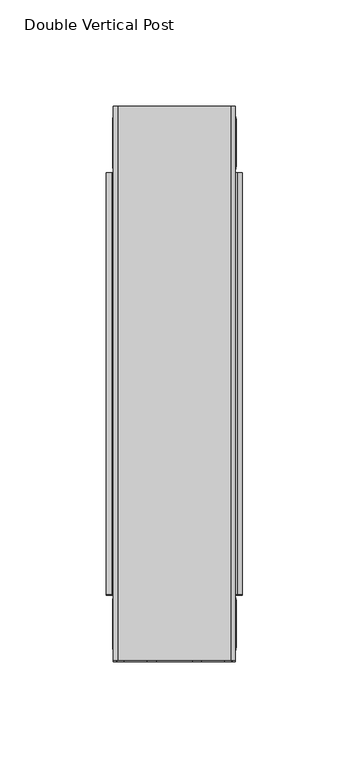
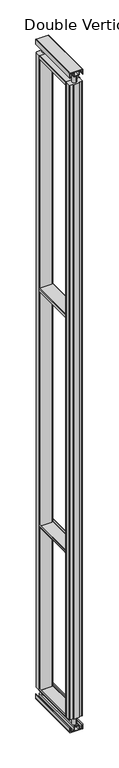
"""IFC4 building model written with IfcOpenShell, lengths in millimetres: proxy geometry, Double Vertical Post."""

from ifc_helpers import new_model, si_unit, point, frame, frame_2d, origin, place, context, project, spatial, polyline, circle_curve, trimmed, segment, composite_curve, outline, extrude, source, transform, mapped, element, save


def double_vertical_post_8f0ddc2f(model_context):
    return source(origin(), model_context, "Body", "SweptSolid", [
        extrude(outline(composite_curve([segment(trimmed(circle_curve(frame_2d((105.9844667, -9.4130426)), 9.647555), [point((105.9844667, -19.0605976))], [point((105.9844667, 0.2345124))], False, "CARTESIAN"), True, "CONTINUOUS"), segment(trimmed(circle_curve(frame_2d((105.9844667, -9.4130426)), 9.647555), [point((105.9844667, 0.2345124))], [point((105.9844667, -19.0605976))], False, "CARTESIAN"), True, "CONTINUOUS")], self_intersect=False)), frame((0.0, 0.0, 22.59584), z_axis=(0.0, 0.0, 1.0), x_axis=(1.0, 0.0, 0.0)), (0.0, 0.0, 1.0), 3015.50832),
        extrude(outline(composite_curve([segment(trimmed(circle_curve(frame_2d((105.9844667, -237.2304325)), 9.647555), [point((105.9844667, -246.8779875))], [point((105.9844667, -227.5828775))], False, "CARTESIAN"), True, "CONTINUOUS"), segment(trimmed(circle_curve(frame_2d((105.9844667, -237.2304325)), 9.647555), [point((105.9844667, -227.5828775))], [point((105.9844667, -246.8779875))], False, "CARTESIAN"), True, "CONTINUOUS")], self_intersect=False)), frame((0.0, 0.0, 22.59584), z_axis=(0.0, 0.0, 1.0), x_axis=(1.0, 0.0, 0.0)), (0.0, 0.0, 1.0), 3015.50832),
        extrude(outline(composite_curve([segment(polyline([(1.2192, 78.5905667), (22.1742, 78.5905667), (22.1742, 77.3713667), (2.2593983, 77.3713667)]), True, "CONTINUOUS"), segment(trimmed(circle_curve(frame_2d((2.2593983, 79.630765)), 2.2593983), [point((2.2593983, 77.3713667))], [point((0.0, 79.630765))], False, "CARTESIAN"), True, "CONTINUOUS"), segment(polyline([(0.0, 79.630765), (0.0, 132.4154333)]), True, "CONTINUOUS"), segment(trimmed(circle_curve(frame_2d((2.1821334, 132.4154333)), 2.1821334), [point((0.0, 132.4154333))], [point((2.1821334, 134.5975667))], False, "CARTESIAN"), True, "CONTINUOUS"), segment(polyline([(2.1821334, 134.5975667), (22.1742, 134.5975667), (22.1742, 133.3783667), (1.2192, 133.3783667), (1.2192, 78.5905667)]), True, "CONTINUOUS")], self_intersect=False)), frame((0.0, -253.4967375, 0.0), z_axis=(0.0, 1.0, 0.0), x_axis=(0.0, 0.0, 1.0)), (0.0, 0.0, 1.0), 260.35),
        extrude(outline(composite_curve([segment(polyline([(6.21284, 82.2208617), (15.875, 82.2208617), (15.875, 79.1830217), (3.175, 79.1830217), (3.175, 96.3280217), (19.558, 96.3280217), (19.558, 115.6320217), (3.175, 115.6320217), (3.175, 132.7770217), (15.875, 132.7770217), (15.875, 129.7391817), (6.21284, 129.7391817), (6.21284, 118.6698617), (18.2719045, 118.6698617)]), True, "CONTINUOUS"), segment(trimmed(circle_curve(frame_2d((18.2719045, 114.3459261)), 4.3239355), [point((18.2719045, 118.6698617))], [point((22.59584, 114.3459261))], False, "CARTESIAN"), True, "CONTINUOUS"), segment(polyline([(22.59584, 114.3459261), (22.59584, 97.5442401)]), True, "CONTINUOUS"), segment(trimmed(circle_curve(frame_2d((18.3417816, 97.5442401)), 4.2540584), [point((22.59584, 97.5442401))], [point((18.3417816, 93.2901817))], False, "CARTESIAN"), True, "CONTINUOUS"), segment(polyline([(18.3417816, 93.2901817), (6.21284, 93.2901817), (6.21284, 82.2208617)]), True, "CONTINUOUS")], self_intersect=False)), frame((0.0, -253.4967375, 0.0), z_axis=(0.0, 1.0, 0.0), x_axis=(0.0, 0.0, 1.0)), (0.0, 0.0, 1.0), 260.35),
        extrude(outline(composite_curve([segment(polyline([(3054.48716, 82.2208617), (3054.48716, 93.2901817), (3042.8687642, 93.2901817)]), True, "CONTINUOUS"), segment(trimmed(circle_curve(frame_2d((3042.8687642, 98.0547859)), 4.7646042), [point((3042.8687642, 93.2901817))], [point((3038.10416, 98.0547859))], False, "CARTESIAN"), True, "CONTINUOUS"), segment(polyline([(3038.10416, 98.0547859), (3038.10416, 114.0450554)]), True, "CONTINUOUS"), segment(trimmed(circle_curve(frame_2d((3042.7289663, 114.0450554)), 4.6248063), [point((3038.10416, 114.0450554))], [point((3042.7289663, 118.6698617))], False, "CARTESIAN"), True, "CONTINUOUS"), segment(polyline([(3042.7289663, 118.6698617), (3054.48716, 118.6698617), (3054.48716, 129.7391817), (3044.825, 129.7391817), (3044.825, 132.7770217), (3057.525, 132.7770217), (3057.525, 115.6320217), (3041.142, 115.6320217), (3041.142, 96.3280217), (3057.525, 96.3280217), (3057.525, 79.1830217), (3044.825, 79.1830217), (3044.825, 82.2208617), (3054.48716, 82.2208617)]), True, "CONTINUOUS")], self_intersect=False)), frame((0.0, -253.4967375, 0.0), z_axis=(0.0, 1.0, 0.0), x_axis=(0.0, 0.0, 1.0)), (0.0, 0.0, 1.0), 260.35),
        extrude(outline(composite_curve([segment(polyline([(3038.5258, 133.3783667), (3038.5258, 134.5975667), (3058.4879927, 134.5975667)]), True, "CONTINUOUS"), segment(trimmed(circle_curve(frame_2d((3058.4879927, 132.3855594)), 2.2120073), [point((3058.4879927, 134.5975667))], [point((3060.7, 132.3855594))], False, "CARTESIAN"), True, "CONTINUOUS"), segment(polyline([(3060.7, 132.3855594), (3060.7, 79.4363457)]), True, "CONTINUOUS"), segment(trimmed(circle_curve(frame_2d((3058.635021, 79.4363457)), 2.064979), [point((3060.7, 79.4363457))], [point((3058.635021, 77.3713667))], False, "CARTESIAN"), True, "CONTINUOUS"), segment(polyline([(3058.635021, 77.3713667), (3038.5258, 77.3713667), (3038.5258, 78.5905667), (3059.4808, 78.5905667), (3059.4808, 133.3783667), (3038.5258, 133.3783667)]), True, "CONTINUOUS")], self_intersect=False)), frame((0.0, -253.4967375, 0.0), z_axis=(0.0, 1.0, 0.0), x_axis=(0.0, 0.0, 1.0)), (0.0, 0.0, 1.0), 260.35),
        extrude(outline(composite_curve([segment(polyline([(2991.7877494, 137.9122667), (3002.1648238, 137.9122667)]), True, "CONTINUOUS"), segment(trimmed(circle_curve(frame_2d((3002.1648238, 135.5893411)), 2.3229256), [point((3002.1648238, 137.9122667))], [point((3004.4877494, 135.5893411))], False, "CARTESIAN"), True, "CONTINUOUS"), segment(polyline([(3004.4877494, 135.5893411), (3004.4877494, 76.515637)]), True, "CONTINUOUS"), segment(trimmed(circle_curve(frame_2d((3002.0287791, 76.515637)), 2.4589703), [point((3004.4877494, 76.515637))], [point((3002.0287791, 74.0566667))], False, "CARTESIAN"), True, "CONTINUOUS"), segment(polyline([(3002.0287791, 74.0566667), (2991.7877494, 74.0566667), (2991.7877494, 75.6441667), (3002.0624022, 75.6441667)]), True, "CONTINUOUS"), segment(trimmed(circle_curve(frame_2d((3002.0624022, 76.4820139)), 0.8378472), [point((3002.0624022, 75.6441667))], [point((3002.9002494, 76.4820139))], True, "CARTESIAN"), True, "CONTINUOUS"), segment(polyline([(3002.9002494, 76.4820139), (3002.9002494, 135.3009499)]), True, "CONTINUOUS"), segment(trimmed(circle_curve(frame_2d((3001.8764326, 135.3009499)), 1.0238168), [point((3002.9002494, 135.3009499))], [point((3001.8764326, 136.3247667))], True, "CARTESIAN"), True, "CONTINUOUS"), segment(polyline([(3001.8764326, 136.3247667), (2991.7877494, 136.3247667), (2991.7877494, 137.9122667)]), True, "CONTINUOUS")], self_intersect=False)), frame((0.0, -222.3217375, 0.0), z_axis=(0.0, 1.0, 0.0), x_axis=(0.0, 0.0, 1.0)), (0.0, 0.0, 1.0), 198.0),
        extrude(outline(composite_curve([segment(polyline([(1912.2877494, 137.9122667), (1922.5181301, 137.9122667)]), True, "CONTINUOUS"), segment(trimmed(circle_curve(frame_2d((1922.5181301, 135.4426474)), 2.4696193), [point((1922.5181301, 137.9122667))], [point((1924.9877494, 135.4426474))], False, "CARTESIAN"), True, "CONTINUOUS"), segment(polyline([(1924.9877494, 135.4426474), (1924.9877494, 76.8011731)]), True, "CONTINUOUS"), segment(trimmed(circle_curve(frame_2d((1922.243243, 76.8011731)), 2.7445064), [point((1924.9877494, 76.8011731))], [point((1922.243243, 74.0566667))], False, "CARTESIAN"), True, "CONTINUOUS"), segment(polyline([(1922.243243, 74.0566667), (1912.2877494, 74.0566667), (1912.2877494, 75.6441667), (1922.589607, 75.6441667)]), True, "CONTINUOUS"), segment(trimmed(circle_curve(frame_2d((1922.589607, 76.4548091)), 0.8106424), [point((1922.589607, 75.6441667))], [point((1923.4002494, 76.4548091))], True, "CARTESIAN"), True, "CONTINUOUS"), segment(polyline([(1923.4002494, 76.4548091), (1923.4002494, 135.3843411)]), True, "CONTINUOUS"), segment(trimmed(circle_curve(frame_2d((1922.4598238, 135.3843411)), 0.9404256), [point((1923.4002494, 135.3843411))], [point((1922.4598238, 136.3247667))], True, "CARTESIAN"), True, "CONTINUOUS"), segment(polyline([(1922.4598238, 136.3247667), (1912.2877494, 136.3247667), (1912.2877494, 137.9122667)]), True, "CONTINUOUS")], self_intersect=False)), frame((0.0, -222.3217375, 0.0), z_axis=(0.0, 1.0, 0.0), x_axis=(0.0, 0.0, 1.0)), (0.0, 0.0, 1.0), 198.0),
        extrude(outline(composite_curve([segment(polyline([(830.8848, 74.0566667), (820.8647798, 74.0566667)]), True, "CONTINUOUS"), segment(trimmed(circle_curve(frame_2d((820.8647798, 76.7366464)), 2.6799798), [point((820.8647798, 74.0566667))], [point((818.1848, 76.7366464))], False, "CARTESIAN"), True, "CONTINUOUS"), segment(polyline([(818.1848, 76.7366464), (818.1848, 135.2845647)]), True, "CONTINUOUS"), segment(trimmed(circle_curve(frame_2d((820.812502, 135.2845647)), 2.627702), [point((818.1848, 135.2845647))], [point((820.812502, 137.9122667))], False, "CARTESIAN"), True, "CONTINUOUS"), segment(polyline([(820.812502, 137.9122667), (830.8848, 137.9122667), (830.8848, 136.3247667), (820.7311586, 136.3247667)]), True, "CONTINUOUS"), segment(trimmed(circle_curve(frame_2d((820.7311586, 135.3659081)), 0.9588586), [point((820.7311586, 136.3247667))], [point((819.7723, 135.3659081))], True, "CARTESIAN"), True, "CONTINUOUS"), segment(polyline([(819.7723, 135.3659081), (819.7723, 76.7047433)]), True, "CONTINUOUS"), segment(trimmed(circle_curve(frame_2d((820.8328766, 76.7047433)), 1.0605766), [point((819.7723, 76.7047433))], [point((820.8328766, 75.6441667))], True, "CARTESIAN"), True, "CONTINUOUS"), segment(polyline([(820.8328766, 75.6441667), (830.8848, 75.6441667), (830.8848, 74.0566667)]), True, "CONTINUOUS")], self_intersect=False)), frame((0.0, -222.3217375, 0.0), z_axis=(0.0, 1.0, 0.0), x_axis=(0.0, 0.0, 1.0)), (0.0, 0.0, 1.0), 198.0),
        extrude(outline(composite_curve([segment(polyline([(58.8357878, 137.9122667), (68.8848, 137.9122667), (68.8848, 136.3247667), (58.6926169, 136.3247667)]), True, "CONTINUOUS"), segment(trimmed(circle_curve(frame_2d((58.6926169, 135.4044497)), 0.9203169), [point((58.6926169, 136.3247667))], [point((57.7723, 135.4044497))], True, "CARTESIAN"), True, "CONTINUOUS"), segment(polyline([(57.7723, 135.4044497), (57.7723, 76.4477156)]), True, "CONTINUOUS"), segment(trimmed(circle_curve(frame_2d((58.5758489, 76.4477156)), 0.8035489), [point((57.7723, 76.4477156))], [point((58.5758489, 75.6441667))], True, "CARTESIAN"), True, "CONTINUOUS"), segment(polyline([(58.5758489, 75.6441667), (68.8848, 75.6441667), (68.8848, 74.0566667), (58.8694686, 74.0566667)]), True, "CONTINUOUS"), segment(trimmed(circle_curve(frame_2d((58.8694686, 76.7413353)), 2.6846686), [point((58.8694686, 74.0566667))], [point((56.1848, 76.7413353))], False, "CARTESIAN"), True, "CONTINUOUS"), segment(polyline([(56.1848, 76.7413353), (56.1848, 135.2612789)]), True, "CONTINUOUS"), segment(trimmed(circle_curve(frame_2d((58.8357878, 135.2612789)), 2.6509878), [point((56.1848, 135.2612789))], [point((58.8357878, 137.9122667))], False, "CARTESIAN"), True, "CONTINUOUS")], self_intersect=False)), frame((0.0, -222.3217375, 0.0), z_axis=(0.0, 1.0, 0.0), x_axis=(0.0, 0.0, 1.0)), (0.0, 0.0, 1.0), 198.0),
        extrude(outline(composite_curve([segment(polyline([(118.6844667, -253.4967375), (93.2844667, -253.4967375), (93.2844667, -250.3217375), (79.7716667, -250.3217375)]), True, "CONTINUOUS"), segment(trimmed(circle_curve(frame_2d((79.7716667, -247.5277375)), 2.794), [point((79.7716667, -250.3217375))], [point((76.9776667, -247.5277375))], False, "CARTESIAN"), True, "CONTINUOUS"), segment(polyline([(76.9776667, -247.5277375), (76.9776667, -225.1157375)]), True, "CONTINUOUS"), segment(trimmed(circle_curve(frame_2d((79.7716667, -225.1157375)), 2.794), [point((76.9776667, -225.1157375))], [point((79.7716667, -222.3217375))], False, "CARTESIAN"), True, "CONTINUOUS"), segment(polyline([(79.7716667, -222.3217375), (132.1972667, -222.3217375)]), True, "CONTINUOUS"), segment(trimmed(circle_curve(frame_2d((132.1972667, -225.1157375)), 2.794), [point((132.1972667, -222.3217375))], [point((134.9912667, -225.1157375))], False, "CARTESIAN"), True, "CONTINUOUS"), segment(polyline([(134.9912667, -225.1157375), (134.9912667, -247.5277375)]), True, "CONTINUOUS"), segment(trimmed(circle_curve(frame_2d((132.1972667, -247.5277375)), 2.794), [point((134.9912667, -247.5277375))], [point((132.1972667, -250.3217375))], False, "CARTESIAN"), True, "CONTINUOUS"), segment(polyline([(132.1972667, -250.3217375), (118.6844667, -250.3217375), (118.6844667, -253.4967375)]), True, "CONTINUOUS")], self_intersect=False)), frame((0.0, 0.0, 57.15), z_axis=(0.0, 0.0, 1.0), x_axis=(1.0, 0.0, 0.0)), (0.0, 0.0, 1.0), 2946.4957122),
        extrude(outline(composite_curve([segment(polyline([(118.6844667, 6.8532625), (118.6844667, 3.6782625), (132.1972667, 3.6782625)]), True, "CONTINUOUS"), segment(trimmed(circle_curve(frame_2d((132.1972667, 0.8842625)), 2.794), [point((132.1972667, 3.6782625))], [point((134.9912667, 0.8842625))], False, "CARTESIAN"), True, "CONTINUOUS"), segment(polyline([(134.9912667, 0.8842625), (134.9912667, -21.5277375)]), True, "CONTINUOUS"), segment(trimmed(circle_curve(frame_2d((132.1972667, -21.5277375)), 2.794), [point((134.9912667, -21.5277375))], [point((132.1972667, -24.3217375))], False, "CARTESIAN"), True, "CONTINUOUS"), segment(polyline([(132.1972667, -24.3217375), (79.7716667, -24.3217375)]), True, "CONTINUOUS"), segment(trimmed(circle_curve(frame_2d((79.7716667, -21.5277375)), 2.794), [point((79.7716667, -24.3217375))], [point((76.9776667, -21.5277375))], False, "CARTESIAN"), True, "CONTINUOUS"), segment(polyline([(76.9776667, -21.5277375), (76.9776667, 0.8842625)]), True, "CONTINUOUS"), segment(trimmed(circle_curve(frame_2d((79.7716667, 0.8842625)), 2.794), [point((76.9776667, 0.8842625))], [point((79.7716667, 3.6782625))], False, "CARTESIAN"), True, "CONTINUOUS"), segment(polyline([(79.7716667, 3.6782625), (93.2844667, 3.6782625), (93.2844667, 6.8532625), (118.6844667, 6.8532625)]), True, "CONTINUOUS")], self_intersect=False)), frame((0.0, 0.0, 57.15), z_axis=(0.0, 0.0, 1.0), x_axis=(1.0, 0.0, 0.0)), (0.0, 0.0, 1.0), 2946.4957122),
    ])


if __name__ == "__main__":
    model = new_model("IFC4")
    model_context = context("Model", 3, world=origin())
    ifc_project = project(units=[si_unit("LENGTHUNIT", "METRE", prefix="MILLI")], contexts=[model_context])
    site = spatial("IfcSite", under=ifc_project)
    building = spatial("IfcBuilding", under=site)
    placement = place(None, origin())
    double_vertical_post_shape = double_vertical_post_8f0ddc2f(model_context)
    element("IfcBuildingElementProxy", 1, Name="Double Vertical Post", ObjectType="Double Vertical Post", at=placement, inside=building, context=model_context, shape_type="MappedRepresentation", body=[
        mapped(double_vertical_post_shape, transform((0.0, 0.0, 0.0), x_axis=(1.0, 0.0, 0.0), y_axis=(0.0, 1.0, 0.0), z_axis=(0.0, 0.0, 1.0))),
    ])
    save(model, "model.ifc")
